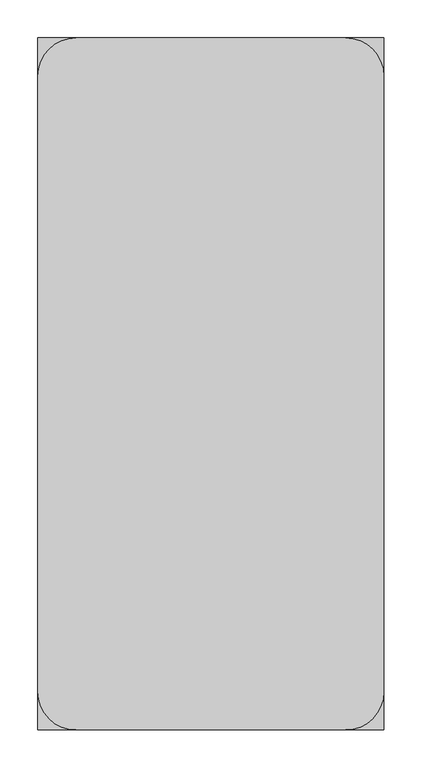
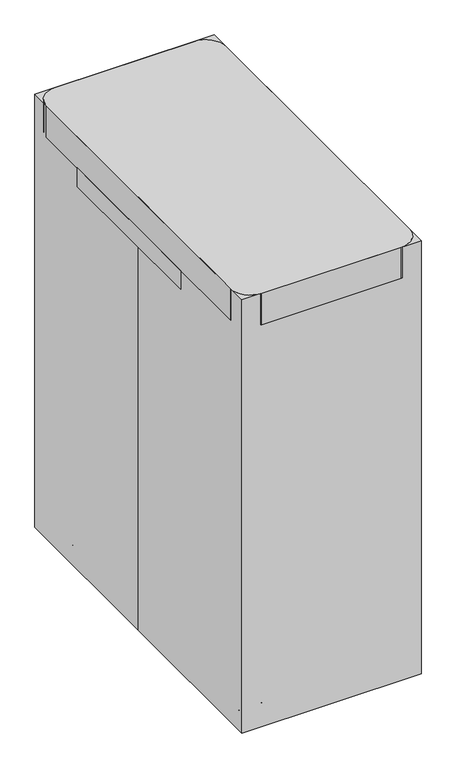
"""IFC4 building model written with IfcOpenShell, lengths in millimetres: proxy geometry."""

from ifc_helpers import new_model, si_unit, point, frame, frame_2d, origin, origin_with_axes, place, context, project, spatial, polyline, circle_curve, trimmed, segment, composite_curve, outline, extrude, source, transform, mapped, element, save


def specialty_equipment_4acbad9c(model_context):
    return source(origin(), model_context, "Body", "SweptSolid", [
        extrude(outline(polyline([(228.6, -187.2297287), (-228.6, -187.2297287), (-228.6, 269.9702713), (228.6, 269.9702713), (228.6, -187.2297287)])), frame((0.0, 0.0, 1033.0016667), z_axis=(0.0, 0.0, 1.0), x_axis=(1.0, 0.0, 0.0)), (0.0, 0.0, 1.0), 50.8),
        extrude(outline(polyline([(216.6344082, 319.9060209), (-218.1273098, 319.9060209), (-218.1273098, 425.45), (216.6344082, 425.45), (216.6344082, 319.9060209)])), frame((0.0, 0.0, 127.0), z_axis=(0.0, 0.0, 1.0), x_axis=(1.0, 0.0, 0.0)), (0.0, 0.0, 1.0), 38.1),
        extrude(outline(polyline([(-33.9903673, -310.5535606), (-33.9903673, 319.9060209), (34.925, 319.9060209), (34.925, -310.5535606), (-33.9903673, -310.5535606)])), frame((0.0, 0.0, 127.0), z_axis=(0.0, 0.0, 1.0), x_axis=(1.0, 0.0, 0.0)), (0.0, 0.0, 1.0), 38.1),
        extrude(outline(composite_curve([segment(trimmed(circle_curve(frame_2d((-179.8693101, 389.7056599)), 16.9333333), [point((-196.8026434, 389.7056599))], [point((-162.9359768, 389.7056599))], False, "CARTESIAN"), True, "CONTINUOUS"), segment(trimmed(circle_curve(frame_2d((-179.8693101, 389.7056599)), 16.9333333), [point((-162.9359768, 389.7056599))], [point((-196.8026434, 389.7056599))], False, "CARTESIAN"), True, "CONTINUOUS")], self_intersect=False)), frame((0.0, 0.0, 84.8149176), z_axis=(0.0, 0.0, 1.0), x_axis=(1.0, 0.0, 0.0)), (0.0, 0.0, 1.0), 42.1850824),
        extrude(outline(composite_curve([segment(trimmed(circle_curve(frame_2d((178.8623991, 389.7056599)), 16.9333333), [point((195.7957324, 389.7056599))], [point((161.9290658, 389.7056599))], False, "CARTESIAN"), True, "CONTINUOUS"), segment(trimmed(circle_curve(frame_2d((178.8623991, 389.7056599)), 16.9333333), [point((161.9290658, 389.7056599))], [point((195.7957324, 389.7056599))], False, "CARTESIAN"), True, "CONTINUOUS")], self_intersect=False)), frame((0.0, 0.0, 84.8149176), z_axis=(0.0, 0.0, 1.0), x_axis=(1.0, 0.0, 0.0)), (0.0, 0.0, 1.0), 42.1850824),
        extrude(outline(composite_curve([segment(trimmed(circle_curve(frame_2d((372.7723265, 50.8)), 50.8), [point((423.5723265, 50.8))], [point((321.9723265, 50.8))], False, "CARTESIAN"), True, "CONTINUOUS"), segment(trimmed(circle_curve(frame_2d((372.7723265, 50.8)), 50.8), [point((321.9723265, 50.8))], [point((423.5723265, 50.8))], False, "CARTESIAN"), True, "CONTINUOUS")], self_intersect=False)), frame((140.7840445, 0.0, 0.0), z_axis=(1.0, 0.0, 0.0), x_axis=(0.0, 1.0, 0.0)), (0.0, 0.0, 1.0), 19.05),
        extrude(outline(composite_curve([segment(trimmed(circle_curve(frame_2d((372.7723265, 50.8)), 50.8), [point((423.5723265, 50.8))], [point((321.9723265, 50.8))], False, "CARTESIAN"), True, "CONTINUOUS"), segment(trimmed(circle_curve(frame_2d((372.7723265, 50.8)), 50.8), [point((321.9723265, 50.8))], [point((423.5723265, 50.8))], False, "CARTESIAN"), True, "CONTINUOUS")], self_intersect=False)), frame((197.9340445, 0.0, 0.0), z_axis=(1.0, 0.0, 0.0), x_axis=(0.0, 1.0, 0.0)), (0.0, 0.0, 1.0), 19.05),
        extrude(outline(composite_curve([segment(trimmed(circle_curve(frame_2d((372.7723265, 50.8)), 33.8666667), [point((338.9056599, 50.8))], [point((406.6389932, 50.8))], False, "CARTESIAN"), True, "CONTINUOUS"), segment(trimmed(circle_curve(frame_2d((372.7723265, 50.8)), 33.8666667), [point((406.6389932, 50.8))], [point((338.9056599, 50.8))], False, "CARTESIAN"), True, "CONTINUOUS")], self_intersect=False)), frame((159.8340445, 0.0, 0.0), z_axis=(1.0, 0.0, 0.0), x_axis=(0.0, 1.0, 0.0)), (0.0, 0.0, 1.0), 38.1),
        extrude(outline(composite_curve([segment(trimmed(circle_curve(frame_2d((372.7723265, 50.8)), 50.8), [point((423.5723265, 50.8))], [point((321.9723265, 50.8))], False, "CARTESIAN"), True, "CONTINUOUS"), segment(trimmed(circle_curve(frame_2d((372.7723265, 50.8)), 50.8), [point((321.9723265, 50.8))], [point((423.5723265, 50.8))], False, "CARTESIAN"), True, "CONTINUOUS")], self_intersect=False)), frame((-160.6276735, 0.0, 0.0), z_axis=(1.0, 0.0, 0.0), x_axis=(0.0, 1.0, 0.0)), (0.0, 0.0, 1.0), 19.05),
        extrude(outline(composite_curve([segment(trimmed(circle_curve(frame_2d((372.7723265, 50.8)), 50.8), [point((423.5723265, 50.8))], [point((321.9723265, 50.8))], False, "CARTESIAN"), True, "CONTINUOUS"), segment(trimmed(circle_curve(frame_2d((372.7723265, 50.8)), 50.8), [point((321.9723265, 50.8))], [point((423.5723265, 50.8))], False, "CARTESIAN"), True, "CONTINUOUS")], self_intersect=False)), frame((-217.7776735, 0.0, 0.0), z_axis=(1.0, 0.0, 0.0), x_axis=(0.0, 1.0, 0.0)), (0.0, 0.0, 1.0), 19.05),
        extrude(outline(composite_curve([segment(trimmed(circle_curve(frame_2d((372.7723265, 50.8)), 33.8666667), [point((338.9056599, 50.8))], [point((406.6389932, 50.8))], False, "CARTESIAN"), True, "CONTINUOUS"), segment(trimmed(circle_curve(frame_2d((372.7723265, 50.8)), 33.8666667), [point((406.6389932, 50.8))], [point((338.9056599, 50.8))], False, "CARTESIAN"), True, "CONTINUOUS")], self_intersect=False)), frame((-198.7276735, 0.0, 0.0), z_axis=(1.0, 0.0, 0.0), x_axis=(0.0, 1.0, 0.0)), (0.0, 0.0, 1.0), 38.1),
        extrude(outline(composite_curve([segment(trimmed(circle_curve(frame_2d((-180.2189464, -378.2868939)), 16.9333333), [point((-197.1522798, -378.2868939))], [point((-163.2856131, -378.2868939))], False, "CARTESIAN"), True, "CONTINUOUS"), segment(trimmed(circle_curve(frame_2d((-180.2189464, -378.2868939)), 16.9333333), [point((-163.2856131, -378.2868939))], [point((-197.1522798, -378.2868939))], False, "CARTESIAN"), True, "CONTINUOUS")], self_intersect=False)), frame((0.0, 0.0, 84.8149176), z_axis=(0.0, 0.0, 1.0), x_axis=(1.0, 0.0, 0.0)), (0.0, 0.0, 1.0), 42.1850824),
        extrude(outline(composite_curve([segment(trimmed(circle_curve(frame_2d((178.5127627, -378.2868939)), 16.9333333), [point((195.4460961, -378.2868939))], [point((161.5794294, -378.2868939))], False, "CARTESIAN"), True, "CONTINUOUS"), segment(trimmed(circle_curve(frame_2d((178.5127627, -378.2868939)), 16.9333333), [point((161.5794294, -378.2868939))], [point((195.4460961, -378.2868939))], False, "CARTESIAN"), True, "CONTINUOUS")], self_intersect=False)), frame((0.0, 0.0, 84.8149176), z_axis=(0.0, 0.0, 1.0), x_axis=(1.0, 0.0, 0.0)), (0.0, 0.0, 1.0), 42.1850824),
        extrude(outline(composite_curve([segment(trimmed(circle_curve(frame_2d((-361.3535606, 50.8)), 50.8), [point((-412.1535606, 50.8))], [point((-310.5535606, 50.8))], False, "CARTESIAN"), True, "CONTINUOUS"), segment(trimmed(circle_curve(frame_2d((-361.3535606, 50.8)), 50.8), [point((-310.5535606, 50.8))], [point((-412.1535606, 50.8))], False, "CARTESIAN"), True, "CONTINUOUS")], self_intersect=False)), frame((140.4344082, 0.0, 0.0), z_axis=(1.0, 0.0, 0.0), x_axis=(0.0, 1.0, 0.0)), (0.0, 0.0, 1.0), 19.05),
        extrude(outline(composite_curve([segment(trimmed(circle_curve(frame_2d((-361.3535606, 50.8)), 50.8), [point((-412.1535606, 50.8))], [point((-310.5535606, 50.8))], False, "CARTESIAN"), True, "CONTINUOUS"), segment(trimmed(circle_curve(frame_2d((-361.3535606, 50.8)), 50.8), [point((-310.5535606, 50.8))], [point((-412.1535606, 50.8))], False, "CARTESIAN"), True, "CONTINUOUS")], self_intersect=False)), frame((197.5844082, 0.0, 0.0), z_axis=(1.0, 0.0, 0.0), x_axis=(0.0, 1.0, 0.0)), (0.0, 0.0, 1.0), 19.05),
        extrude(outline(composite_curve([segment(trimmed(circle_curve(frame_2d((-361.3535606, 50.8)), 33.8666667), [point((-327.4868939, 50.8))], [point((-395.2202273, 50.8))], False, "CARTESIAN"), True, "CONTINUOUS"), segment(trimmed(circle_curve(frame_2d((-361.3535606, 50.8)), 33.8666667), [point((-395.2202273, 50.8))], [point((-327.4868939, 50.8))], False, "CARTESIAN"), True, "CONTINUOUS")], self_intersect=False)), frame((159.4844082, 0.0, 0.0), z_axis=(1.0, 0.0, 0.0), x_axis=(0.0, 1.0, 0.0)), (0.0, 0.0, 1.0), 38.1),
        extrude(outline(composite_curve([segment(trimmed(circle_curve(frame_2d((-361.3535606, 50.8)), 50.8), [point((-412.1535606, 50.8))], [point((-310.5535606, 50.8))], False, "CARTESIAN"), True, "CONTINUOUS"), segment(trimmed(circle_curve(frame_2d((-361.3535606, 50.8)), 50.8), [point((-310.5535606, 50.8))], [point((-412.1535606, 50.8))], False, "CARTESIAN"), True, "CONTINUOUS")], self_intersect=False)), frame((-160.9773098, 0.0, 0.0), z_axis=(1.0, 0.0, 0.0), x_axis=(0.0, 1.0, 0.0)), (0.0, 0.0, 1.0), 19.05),
        extrude(outline(composite_curve([segment(trimmed(circle_curve(frame_2d((-361.3535606, 50.8)), 50.8), [point((-412.1535606, 50.8))], [point((-310.5535606, 50.8))], False, "CARTESIAN"), True, "CONTINUOUS"), segment(trimmed(circle_curve(frame_2d((-361.3535606, 50.8)), 50.8), [point((-310.5535606, 50.8))], [point((-412.1535606, 50.8))], False, "CARTESIAN"), True, "CONTINUOUS")], self_intersect=False)), frame((-218.1273098, 0.0, 0.0), z_axis=(1.0, 0.0, 0.0), x_axis=(0.0, 1.0, 0.0)), (0.0, 0.0, 1.0), 19.05),
        extrude(outline(composite_curve([segment(trimmed(circle_curve(frame_2d((-361.3535606, 50.8)), 33.8666667), [point((-327.4868939, 50.8))], [point((-395.2202273, 50.8))], False, "CARTESIAN"), True, "CONTINUOUS"), segment(trimmed(circle_curve(frame_2d((-361.3535606, 50.8)), 33.8666667), [point((-395.2202273, 50.8))], [point((-327.4868939, 50.8))], False, "CARTESIAN"), True, "CONTINUOUS")], self_intersect=False)), frame((-199.0773098, 0.0, 0.0), z_axis=(1.0, 0.0, 0.0), x_axis=(0.0, 1.0, 0.0)), (0.0, 0.0, 1.0), 38.1),
        extrude(outline(polyline([(216.6344082, -446.8913935), (-218.1273098, -446.8913935), (-218.1273098, -310.5535606), (216.6344082, -310.5535606), (216.6344082, -446.8913935)])), frame((0.0, 0.0, 127.0), z_axis=(0.0, 0.0, 1.0), x_axis=(1.0, 0.0, 0.0)), (0.0, 0.0, 1.0), 38.1),
        extrude(outline(polyline([(44.45, -424.8535606), (-44.45, -424.8535606), (-44.45, -335.9535606), (44.45, -335.9535606), (44.45, -424.8535606)])), frame((0.0, 0.0, 165.1), z_axis=(0.0, 0.0, 1.0), x_axis=(1.0, 0.0, 0.0)), (0.0, 0.0, 1.0), 258.3016667),
        extrude(outline(polyline([(50.8, -431.2035606), (-50.8, -431.2035606), (-50.8, -329.6035606), (50.8, -329.6035606), (50.8, -431.2035606)])), frame((0.0, 0.0, 423.4016667), z_axis=(0.0, 0.0, 1.0), x_axis=(1.0, 0.0, 0.0)), (0.0, 0.0, 1.0), 660.4),
        extrude(outline(composite_curve([segment(polyline([(-228.6, -406.4), (-228.6, 406.4)]), True, "CONTINUOUS"), segment(trimmed(circle_curve(frame_2d((-177.8, 406.4)), 50.8), [point((-228.6, 406.4))], [point((-177.8, 457.2))], False, "CARTESIAN"), True, "CONTINUOUS"), segment(polyline([(-177.8, 457.2), (177.8, 457.2)]), True, "CONTINUOUS"), segment(trimmed(circle_curve(frame_2d((177.8, 406.4)), 50.8), [point((177.8, 457.2))], [point((228.6, 406.4))], False, "CARTESIAN"), True, "CONTINUOUS"), segment(polyline([(228.6, 406.4), (228.6, -406.4)]), True, "CONTINUOUS"), segment(trimmed(circle_curve(frame_2d((177.8, -406.4)), 50.8), [point((228.6, -406.4))], [point((177.8, -457.2))], False, "CARTESIAN"), True, "CONTINUOUS"), segment(polyline([(177.8, -457.2), (-177.8, -457.2)]), True, "CONTINUOUS"), segment(trimmed(circle_curve(frame_2d((-177.8, -406.4)), 50.8), [point((-177.8, -457.2))], [point((-228.6, -406.4))], False, "CARTESIAN"), True, "CONTINUOUS")], self_intersect=False)), frame((0.0, 0.0, 1083.8016667), z_axis=(0.0, 0.0, 1.0), x_axis=(1.0, 0.0, 0.0)), (0.0, 0.0, 1.0), 84.5983333),
        extrude(outline(polyline([(-228.6, -457.2), (-228.6, 0.0), (-228.6, 457.2), (228.6, 457.2), (228.6, -457.2), (-228.6, -457.2)])), origin_with_axes(), (0.0, 0.0, 1.0), 1168.4),
    ])


if __name__ == "__main__":
    model = new_model("IFC4")
    model_context = context("Model", 3, world=origin())
    ifc_project = project(units=[si_unit("LENGTHUNIT", "METRE", prefix="MILLI")], contexts=[model_context])
    site = spatial("IfcSite", under=ifc_project)
    building = spatial("IfcBuilding", under=site)
    placement = place(None, origin())
    specialty_equipment_shape = specialty_equipment_4acbad9c(model_context)
    element("IfcBuildingElementProxy", 1, Name="Specialty Equipment", at=placement, inside=building, context=model_context, shape_type="MappedRepresentation", body=[
        mapped(specialty_equipment_shape, transform((0.0, 0.0, 0.0), x_axis=(1.0, 0.0, 0.0), y_axis=(0.0, 1.0, 0.0), z_axis=(0.0, 0.0, 1.0))),
    ])
    save(model, "model.ifc")
